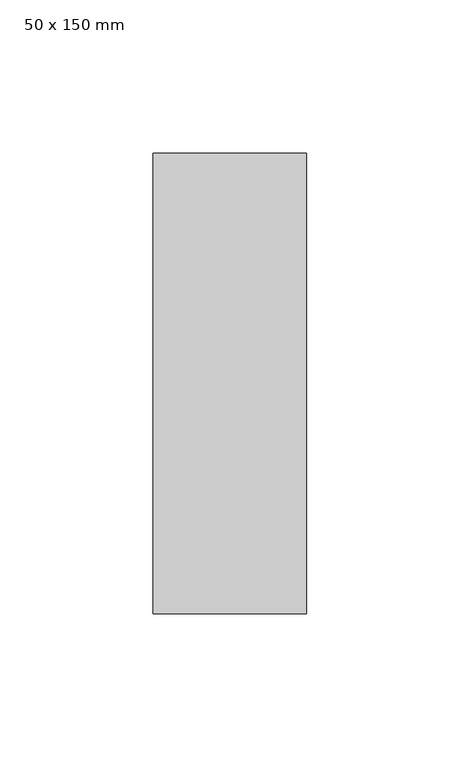
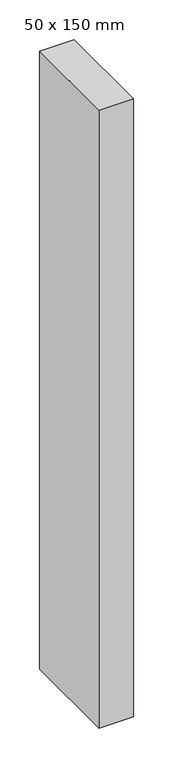
"""IFC4 building model written with IfcOpenShell, lengths in millimetres: member geometry, 50 x 150 mm."""

from ifc_helpers import new_model, si_unit, frame, origin, place, context, project, spatial, polyline, outline, extrude, source, transform, mapped, element, save


def member_50_x_150_mm_a053b0ca(model_context):
    return source(origin(), model_context, "Body", "SweptSolid", [
        extrude(outline(polyline([(25.0, 75.0), (25.0, -75.0), (-25.0, -75.0), (-25.0, 75.0), (25.0, 75.0)])), frame((0.0, 0.0, -950.0), z_axis=(0.0, 0.0, 1.0), x_axis=(1.0, 0.0, 0.0)), (0.0, 0.0, 1.0), 950.0),
    ])


if __name__ == "__main__":
    model = new_model("IFC4")
    model_context = context("Model", 3, world=origin())
    ifc_project = project(units=[si_unit("LENGTHUNIT", "METRE", prefix="MILLI")], contexts=[model_context])
    site = spatial("IfcSite", under=ifc_project)
    building = spatial("IfcBuilding", under=site)
    placement = place(None, origin())
    member_50_x_150_mm_shape = member_50_x_150_mm_a053b0ca(model_context)
    element("IfcMember", 1, ObjectType="50 x 150 mm", at=placement, inside=building, context=model_context, shape_type="MappedRepresentation", body=[
        mapped(member_50_x_150_mm_shape, transform((0.0, 0.0, 0.0), x_axis=(1.0, 0.0, 0.0), y_axis=(0.0, 1.0, 0.0), z_axis=(0.0, 0.0, 1.0))),
    ])
    save(model, "model.ifc")
